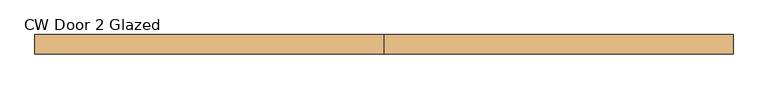
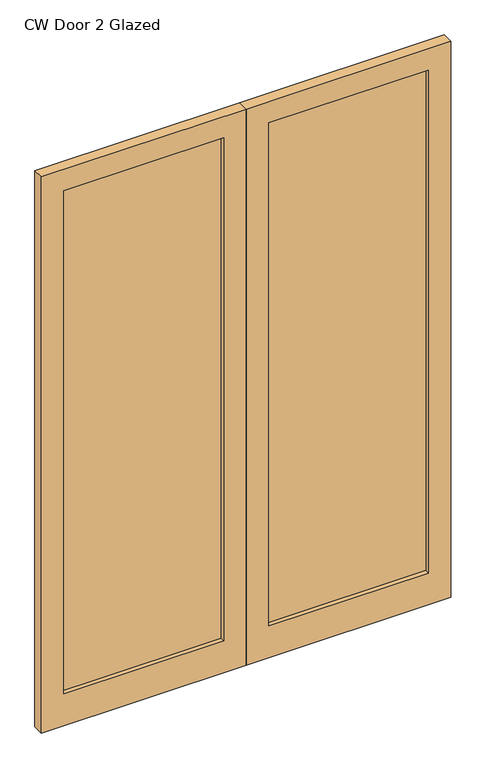
"""IFC4 building model written with IfcOpenShell, lengths in millimetres: door geometry, CW Door 2 Glazed."""

import ifcopenshell
import ifcopenshell.guid

model = None  # the IFC model being written
_history = None  # IfcOwnerHistory: only IFC2X3 demands one
_inside = {}  # id of a spatial element -> (the spatial element, [elements in it])
_under = {}  # id of a project, library or spatial element -> (it, [spatial elements below it])
_declared = {}  # id of a project -> (the project, [libraries it declares])
_typed = {}  # id of a type object -> (the type object, [elements of that type])
_made_of = {}  # id of a material, layer set ... -> (it, [elements and type objects made of it])


def new_model(schema):
    """Start an empty IFC model of exactly this schema.

    Asked for "IFC4X3", IfcOpenShell would pick the latest addendum, in which some entities
    have other attributes; the version numbers below select the first issue.
    IFC2X3 requires an IfcOwnerHistory on every rooted entity: one is made here for all.
    """
    global model, _history
    if schema == "IFC4X3":
        model = ifcopenshell.file(schema_version=(4, 3, 0, 0))
    else:
        model = ifcopenshell.file(schema=schema)
    _inside.clear()
    _under.clear()
    _declared.clear()
    _typed.clear()
    _made_of.clear()
    _history = None
    if model.schema == "IFC2X3":
        org = make("IfcOrganization", Name="unknown")
        user = make(
            "IfcPersonAndOrganization",
            ThePerson=make("IfcPerson", FamilyName="unknown"),
            TheOrganization=org,
        )
        app = make(
            "IfcApplication",
            ApplicationDeveloper=org,
            Version="unknown",
            ApplicationFullName="unknown",
            ApplicationIdentifier="unknown",
        )
        _history = make(
            "IfcOwnerHistory",
            OwningUser=user,
            OwningApplication=app,
            ChangeAction="ADDED",
            CreationDate=0,
        )
    return model


def make(cls, **values):
    """One entity of the class cls with the attributes given. An attribute that is None is left unset."""
    return model.create_entity(
        cls, **{name: value for name, value in values.items() if value is not None}
    )


def rooted(cls, **values):
    """An entity with a GlobalId (a new one), such as an element, a storey or a relation."""
    return make(cls, GlobalId=ifcopenshell.guid.new(), OwnerHistory=_history, **values)


def si_unit(unit_type, name, prefix=None):
    """IfcSIUnit, for example si_unit("LENGTHUNIT", "METRE", prefix="MILLI")."""
    return make("IfcSIUnit", UnitType=unit_type, Prefix=prefix, Name=name)


def assignment(units):
    """IfcUnitAssignment: the units of a project."""
    return None if units is None else make("IfcUnitAssignment", Units=units)


def point(xyz):
    """IfcCartesianPoint."""
    return None if xyz is None else make("IfcCartesianPoint", Coordinates=xyz)


def direction(xyz):
    """IfcDirection."""
    return None if xyz is None else make("IfcDirection", DirectionRatios=xyz)


def frame(location, z_axis=None, x_axis=None):
    """IfcAxis2Placement3D, a coordinate frame: its origin and axes. An axis left out is left unset."""
    return make(
        "IfcAxis2Placement3D",
        Location=point(location),
        Axis=direction(z_axis),
        RefDirection=direction(x_axis),
    )


def origin():
    """The frame at (0, 0, 0) with its axes left unset."""
    return frame((0.0, 0.0, 0.0))


def place(relative_to, where):
    """IfcLocalPlacement: puts the frame where relative to a parent placement (None: the world)."""
    return make(
        "IfcLocalPlacement", PlacementRelTo=relative_to, RelativePlacement=where
    )


def context(
    kind, dimensions, precision=None, world=None, true_north=None, identifier=None
):
    """IfcGeometricRepresentationContext, for example the 3D "Model" context."""
    return make(
        "IfcGeometricRepresentationContext",
        ContextIdentifier=identifier,
        ContextType=kind,
        CoordinateSpaceDimension=dimensions,
        Precision=precision,
        WorldCoordinateSystem=world,
        TrueNorth=true_north,
    )


def project(units=None, contexts=None):
    """IfcProject with its units and contexts."""
    return rooted(
        "IfcProject",
        Name="project",
        RepresentationContexts=contexts,
        UnitsInContext=assignment(units),
    )


def spatial(cls, under=None, at=None, **own):
    """A site, building, storey or space (cls), placed at a placement, below another one or the project."""
    s = rooted(cls, ObjectPlacement=at, **own)
    if under is not None:
        _under.setdefault(under.id(), (under, []))[1].append(s)
    return s


def polyline(points):
    """IfcPolyline through the points."""
    return make("IfcPolyline", Points=[point(p) for p in points])


def outline(outer, holes=None, kind="AREA"):
    """IfcArbitraryClosedProfileDef: a profile drawn as a closed curve; with holes, ...WithVoids."""
    if holes is None:
        return make("IfcArbitraryClosedProfileDef", ProfileType=kind, OuterCurve=outer)
    return make(
        "IfcArbitraryProfileDefWithVoids",
        ProfileType=kind,
        OuterCurve=outer,
        InnerCurves=holes,
    )


def extrude(swept, where, along, depth):
    """IfcExtrudedAreaSolid: the profile swept, set in the frame where, extruded along a direction by depth."""
    return make(
        "IfcExtrudedAreaSolid",
        SweptArea=swept,
        Position=where,
        ExtrudedDirection=direction(along),
        Depth=depth,
    )


def shape(context_of_items, identifier, shape_type, items):
    """IfcShapeRepresentation: the items that make up one representation, for example the "Body"."""
    return make(
        "IfcShapeRepresentation",
        ContextOfItems=context_of_items,
        RepresentationIdentifier=identifier,
        RepresentationType=shape_type,
        Items=items,
    )


def source(mapping_origin, context_of_items, identifier, shape_type, items):
    """IfcRepresentationMap: a shape defined once, which mapped items show again and again."""
    return make(
        "IfcRepresentationMap",
        MappingOrigin=mapping_origin,
        MappedRepresentation=shape(context_of_items, identifier, shape_type, items),
    )


def transform(
    local_origin,
    x_axis=None,
    y_axis=None,
    z_axis=None,
    scale=None,
    scale2=None,
    scale3=None,
    uniform=True,
):
    """IfcCartesianTransformationOperator3D, or its non-uniform kind. x_axis, y_axis, z_axis: its Axis1, 2, 3."""
    if uniform:
        return make(
            "IfcCartesianTransformationOperator3D",
            Axis1=direction(x_axis),
            Axis2=direction(y_axis),
            LocalOrigin=point(local_origin),
            Scale=scale,
            Axis3=direction(z_axis),
        )
    return make(
        "IfcCartesianTransformationOperator3DnonUniform",
        Axis1=direction(x_axis),
        Axis2=direction(y_axis),
        LocalOrigin=point(local_origin),
        Scale=scale,
        Axis3=direction(z_axis),
        Scale2=scale2,
        Scale3=scale3,
    )


def mapped(mapping_source, mapping_target):
    """IfcMappedItem: shows the shape of a source again, moved by a transform."""
    return make(
        "IfcMappedItem", MappingSource=mapping_source, MappingTarget=mapping_target
    )


def made_of(thing, what):
    """Note that an element or type object is made of a material, layer set ...; save() writes the relation."""
    if what is not None:
        _made_of.setdefault(what.id(), (what, []))[1].append(thing)
    return thing


def element(
    cls,
    number,
    at=None,
    inside=None,
    cuts=None,
    type_object=None,
    material=None,
    context=None,
    identifier="Body",
    shape_type=None,
    held_by="IfcProductDefinitionShape",
    body=None,
    shapes=None,
    **own,
):
    """One element of the class cls, such as IfcWall. Its Tag is "e" and its number.

    at: its placement. inside: the storey or other place that contains it. cuts: it is an
    opening in that element (IfcRelVoidsElement). A single representation is given by context,
    identifier, shape_type and body (its items); several are given by shapes. held_by: the class
    of the entity that holds the representations. save() writes the other relations.
    """
    e = rooted(cls, Tag="e%d" % number, ObjectPlacement=at, **own)
    if body is not None:
        shapes = [shape(context, identifier, shape_type, body)]
    if shapes is not None:
        e.Representation = make(held_by, Representations=shapes)
    if inside is not None:
        _inside.setdefault(inside.id(), (inside, []))[1].append(e)
    if cuts is not None:
        rooted(
            "IfcRelVoidsElement", RelatingBuildingElement=cuts, RelatedOpeningElement=e
        )
    if type_object is not None:
        _typed.setdefault(type_object.id(), (type_object, []))[1].append(e)
    return made_of(e, material)


def aggregate(whole, parts):
    """IfcRelAggregates: a whole, such as a stair, and the parts it consists of."""
    return rooted("IfcRelAggregates", RelatingObject=whole, RelatedObjects=parts)


def save(model, path):
    """Write the relations noted so far, then the file.

    IfcRelAggregates (storeys below a building ...), IfcRelContainedInSpatialStructure (elements
    in a storey), IfcRelDefinesByType, IfcRelAssociatesMaterial and IfcRelDeclares: one each for
    every whole, place, type object, material and project.
    """
    for whole, parts in _under.values():
        aggregate(whole, parts)
    for where, things in _inside.values():
        rooted(
            "IfcRelContainedInSpatialStructure",
            RelatedElements=things,
            RelatingStructure=where,
        )
    for kind, things in _typed.values():
        rooted("IfcRelDefinesByType", RelatedObjects=things, RelatingType=kind)
    for what, things in _made_of.values():
        rooted("IfcRelAssociatesMaterial", RelatedObjects=things, RelatingMaterial=what)
    for by, libraries in _declared.values():
        rooted("IfcRelDeclares", RelatingContext=by, RelatedDefinitions=libraries)
    model.write(path)


def cw_door_2_glazed_037a2365(model_context):
    return source(origin(), model_context, "Body", "SweptSolid", [
        extrude(outline(polyline([(810.0, 20.0), (100.0, 20.0), (100.0, 30.0), (810.0, 30.0), (810.0, 20.0)])), frame((0.0, 0.0, 150.0), z_axis=(0.0, 0.0, 1.0), x_axis=(1.0, 0.0, 0.0)), (0.0, 0.0, 1.0), 2363.0),
        extrude(outline(polyline([(2613.0, 910.0), (2613.0, 0.0), (0.0, 0.0), (0.0, 910.0), (2613.0, 910.0)]), holes=[polyline([(150.0, 100.0), (2513.0, 100.0), (2513.0, 810.0), (150.0, 810.0), (150.0, 100.0)])]), frame((0.0, 0.0, 0.0), z_axis=(0.0, 1.0, 0.0), x_axis=(0.0, 0.0, 1.0)), (0.0, 0.0, 1.0), 50.0),
        extrude(outline(polyline([(-100.0, 20.0), (-810.0, 20.0), (-810.0, 30.0), (-100.0, 30.0), (-100.0, 20.0)])), frame((0.0, 0.0, 150.0), z_axis=(0.0, 0.0, 1.0), x_axis=(1.0, 0.0, 0.0)), (0.0, 0.0, 1.0), 2363.0),
        extrude(outline(polyline([(0.0, -910.0), (0.0, 0.0), (2613.0, 0.0), (2613.0, -910.0), (0.0, -910.0)]), holes=[polyline([(2513.0, -810.0), (2513.0, -100.0), (150.0, -100.0), (150.0, -810.0), (2513.0, -810.0)])]), frame((0.0, 0.0, 0.0), z_axis=(0.0, 1.0, 0.0), x_axis=(0.0, 0.0, 1.0)), (0.0, 0.0, 1.0), 50.0),
    ])


if __name__ == "__main__":
    model = new_model("IFC4")
    model_context = context("Model", 3, world=origin())
    ifc_project = project(units=[si_unit("LENGTHUNIT", "METRE", prefix="MILLI")], contexts=[model_context])
    site = spatial("IfcSite", under=ifc_project)
    building = spatial("IfcBuilding", under=site)
    placement = place(None, origin())
    cw_door_2_glazed_shape = cw_door_2_glazed_037a2365(model_context)
    element("IfcDoor", 1, ObjectType="CW Door 2 Glazed", at=placement, inside=building, context=model_context, shape_type="MappedRepresentation", body=[
        mapped(cw_door_2_glazed_shape, transform((0.0, 0.0, 0.0), x_axis=(1.0, 0.0, 0.0), y_axis=(0.0, 1.0, 0.0), z_axis=(0.0, 0.0, 1.0))),
    ])
    save(model, "model.ifc")
